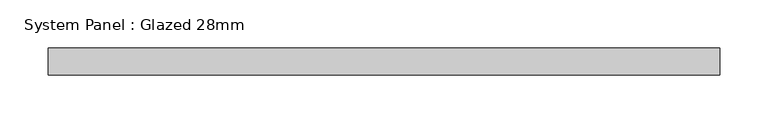
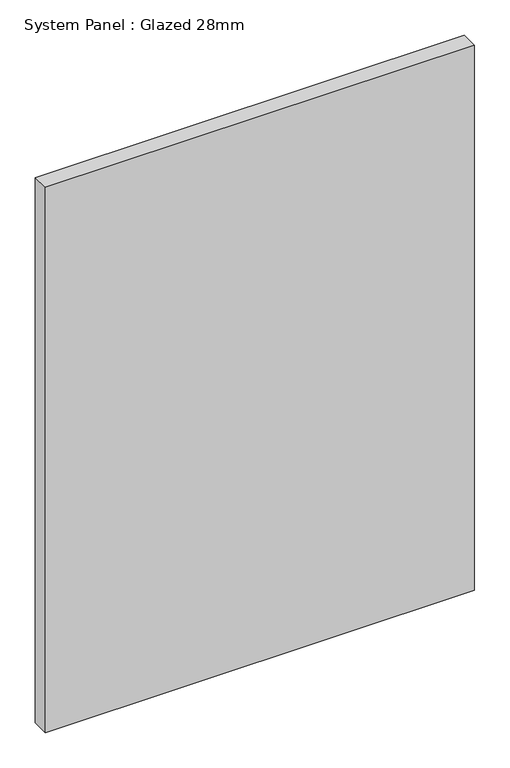
"""IFC4 building model written with IfcOpenShell, lengths in millimetres: plate geometry, System Panel : Glazed 28mm."""

from ifc_helpers import new_model, si_unit, origin, origin_with_axes, place, context, project, spatial, polyline, outline, extrude, source, transform, mapped, element, save


def system_panel_glazed_28mm_e0c57e89(model_context):
    return source(origin(), model_context, "Body", "SweptSolid", [
        extrude(outline(polyline([(349.1004381, -14.0), (-349.1004381, -14.0), (-349.1004381, 14.0), (349.1004381, 14.0), (349.1004381, -14.0)])), origin_with_axes(), (0.0, 0.0, 1.0), 938.0064583),
    ])


if __name__ == "__main__":
    model = new_model("IFC4")
    model_context = context("Model", 3, world=origin())
    ifc_project = project(units=[si_unit("LENGTHUNIT", "METRE", prefix="MILLI")], contexts=[model_context])
    site = spatial("IfcSite", under=ifc_project)
    building = spatial("IfcBuilding", under=site)
    placement = place(None, origin())
    system_panel_glazed_28mm_shape = system_panel_glazed_28mm_e0c57e89(model_context)
    element("IfcPlate", 1, ObjectType="System Panel : Glazed 28mm", at=placement, inside=building, context=model_context, shape_type="MappedRepresentation", body=[
        mapped(system_panel_glazed_28mm_shape, transform((0.0, 0.0, 0.0), x_axis=(1.0, 0.0, 0.0), y_axis=(0.0, 1.0, 0.0), z_axis=(0.0, 0.0, 1.0))),
    ])
    save(model, "model.ifc")
